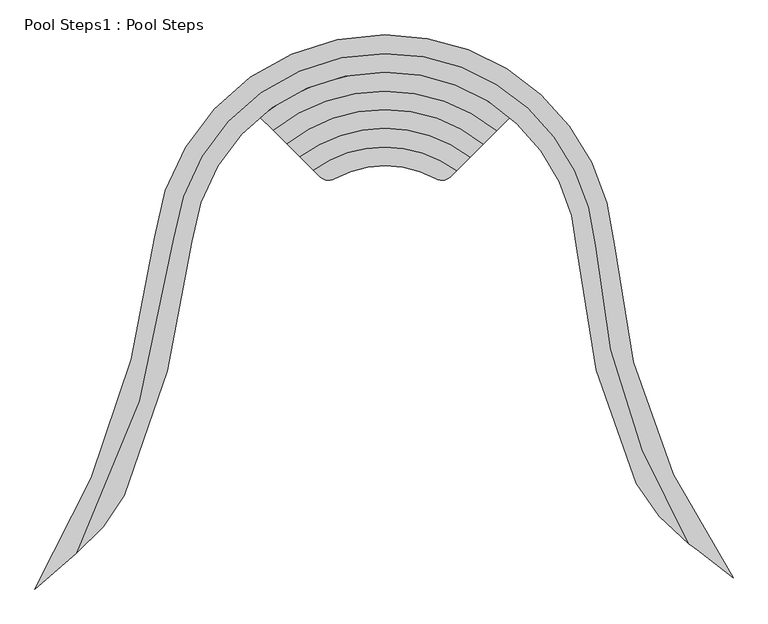
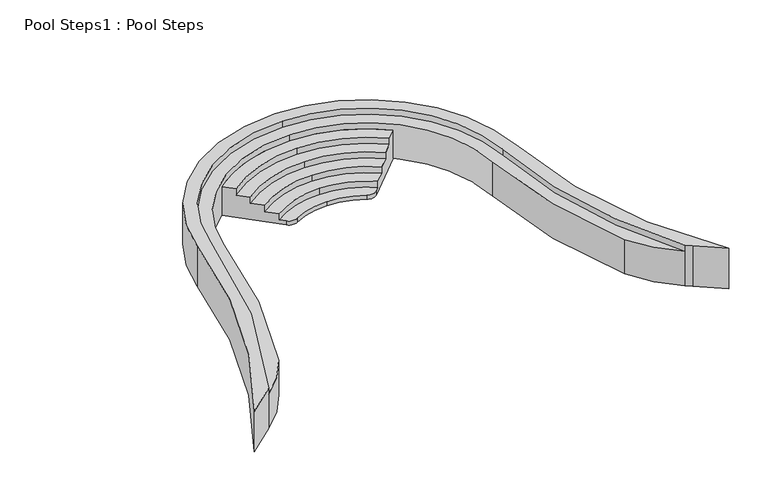
"""IFC4 building model written with IfcOpenShell, lengths in millimetres: beam geometry, Pool Steps1 : Pool Steps."""

from ifc_helpers import new_model, si_unit, frame, origin, place, context, project, spatial, polyline, circle_curve, source, transform, mapped, element, save
from ifc_brep_helpers import plane_surface, cylinder_surface, revolved_surface, advanced_brep


def pool_steps1_pool_steps_b29b813c(model_context):
    return source(origin(), model_context, "Body", "AdvancedBrep", [
        advanced_brep(
        [(206119.8819376, 154389.4442547, 6700.0), (206783.8559836, 154962.4008705, 6700.0), (208338.8191224, 160005.765392, 6700.0), (211731.780669, 162985.4151894, 6700.0), (215111.799141, 159899.903536, 6700.0), (216604.7626689, 155118.7359584, 6700.0), (216742.7131658, 155020.4106363, 6700.0), (217318.3145919, 154573.5072493, 6700.0), (215410.9841687, 159922.0960535, 6700.0), (211731.1723089, 163285.4067756, 6700.0), (208040.9820379, 160041.7389396, 6700.0), (206119.8819376, 154389.4442547, 5700.0), (208040.9820379, 160041.7389396, 5700.0), (211731.1723089, 163285.4067756, 5700.0), (215410.9841687, 159922.0960535, 5700.0), (217318.3145919, 154573.5072493, 5700.0), (216742.7131658, 155020.4106363, 5700.0), (216604.7626689, 155118.7359584, 5700.0), (215763.6715977, 156083.420118, 5700.0), (214817.4583472, 159809.2223482, 5700.0), (213741.334175, 161961.0492056, 5700.0), (212788.3865155, 161011.4516251, 5700.0), (212549.7243585, 160978.4916242, 5700.0), (211738.9712692, 161185.3403514, 5700.0), (210928.2181798, 160978.4916242, 5700.0), (210689.5560228, 161011.4516251, 5700.0), (209729.3465297, 161968.2855103, 5700.0), (208636.4169486, 159967.865621, 5700.0), (207556.8592456, 155896.9162058, 5700.0), (206785.236552, 154965.045079, 5700.0), (206783.8559836, 154962.4008705, 5700.0), (206785.236552, 154965.045079, 6550.0), (208338.8191224, 160005.765392, 6550.0), (211731.780669, 162985.4151894, 6550.0), (215111.799141, 159899.903536, 6550.0), (216604.7626689, 155118.7359584, 6550.0), (207556.8592456, 155896.9162058, 6550.0), (208636.4169486, 159967.865621, 6550.0), (211732.3914639, 162685.3893802, 6550.0), (214817.4583472, 159809.2223482, 6550.0), (215763.6715977, 156083.420118, 6550.0), (209729.3465297, 161968.2855103, 6400.0), (211732.3914639, 162685.3893802, 6400.0), (213741.334175, 161961.0492056, 6400.0), (209942.8879035, 161755.4948393, 6400.0), (211731.1723089, 162385.4041846, 6400.0), (213528.0509637, 161748.5157895, 6400.0), (209942.8879035, 161755.4948393, 6250.0), (211731.1723089, 162385.4041846, 6250.0), (213528.0509637, 161748.5157895, 6250.0), (213314.2742796, 161535.4906354, 6250.0), (213314.2742796, 161535.4906354, 6100.0), (213100.1517442, 161322.1208459, 6100.0), (213100.1517442, 161322.1208459, 5950.0), (212885.5190852, 161108.2427261, 5950.0), (212885.5190852, 161108.2427261, 5800.0), (212788.3865155, 161011.4516251, 5800.0), (210689.5560228, 161011.4516251, 5800.0), (210585.8109918, 161114.8319413, 5800.0), (210585.8109918, 161114.8319413, 5950.0), (210371.0119315, 161328.8758775, 5950.0), (210371.0119315, 161328.8758775, 6100.0), (210156.763388, 161542.3712321, 6100.0), (210156.763388, 161542.3712321, 6250.0), (211731.1723089, 162085.4029116, 6250.0), (211731.1723089, 162085.4029116, 6100.0), (211731.1723089, 161785.4012962, 6100.0), (211731.1723089, 161785.4012962, 5950.0), (210928.2181798, 160978.4916242, 5800.0), (211738.9712692, 161185.3403514, 5800.0), (212549.7243585, 160978.4916242, 5800.0), (211731.1723089, 161485.3991789, 5800.0), (211731.1723089, 161485.3991789, 5950.0)],
        [
            (0, 1, circle_curve(frame((210129.054403, 150414.5952145, 6700.0), z_axis=(0.0, 0.0, -1.0), x_axis=(1.0, 0.0, 0.0)), 5645.6079168)),
            (1, 2, circle_curve(frame((193875.4396131, 161703.7001602, 6700.0), z_axis=(0.0, 0.0, 1.0), x_axis=(1.0, 0.0, 0.0)), 14562.7033653)),
            (2, 3, circle_curve(frame((211712.0345474, 159586.2732287, 6700.0), z_axis=(0.0, 0.0, -1.0), x_axis=(1.0, 0.0, 0.0)), 3399.1993143)),
            (3, 4, circle_curve(frame((211764.9327956, 159627.6580714, 6700.0), z_axis=(0.0, 0.0, -1.0), x_axis=(1.0, 0.0, 0.0)), 3357.9207743)),
            (4, 5, circle_curve(frame((225827.5906329, 160622.3283546, 6700.0), z_axis=(0.0, 0.0, 1.0), x_axis=(1.0, 0.0, 0.0)), 10740.1156845)),
            (5, 6, circle_curve(frame((218478.0611931, 157601.040138, 6700.0), z_axis=(0.0, 0.0, 1.0), x_axis=(1.0, 0.0, 0.0)), 3109.8362338)),
            (6, 7, circle_curve(frame((214373.0908148, 151374.2583105, 6700.0), z_axis=(0.0, 0.0, -1.0), x_axis=(1.0, 0.0, 0.0)), 4348.5097298)),
            (7, 8, circle_curve(frame((225827.5906329, 160622.3283546, 6700.0), z_axis=(0.0, 0.0, -1.0), x_axis=(1.0, 0.0, 0.0)), 10440.1156845)),
            (8, 9, circle_curve(frame((211764.9620929, 159627.6724367, 6700.0), z_axis=(0.0, 0.0, 1.0), x_axis=(1.0, 0.0, 0.0)), 3657.8904089)),
            (9, 10, circle_curve(frame((211712.0040701, 159586.2893593, 6700.0), z_axis=(0.0, 0.0, 1.0), x_axis=(1.0, 0.0, 0.0)), 3699.1670793)),
            (10, 0, circle_curve(frame((193875.4396131, 161703.7001602, 6700.0), z_axis=(0.0, 0.0, -1.0), x_axis=(1.0, 0.0, 0.0)), 14262.7033653)),
            (11, 12, circle_curve(frame((193875.4396131, 161703.7001602, 5700.0), z_axis=(0.0, 0.0, 1.0), x_axis=(1.0, 0.0, 0.0)), 14262.7033653)),
            (12, 13, circle_curve(frame((211712.0040701, 159586.2893593, 5700.0), z_axis=(0.0, 0.0, -1.0), x_axis=(1.0, 0.0, 0.0)), 3699.1670793)),
            (13, 14, circle_curve(frame((211764.9620929, 159627.6724367, 5700.0), z_axis=(0.0, 0.0, -1.0), x_axis=(1.0, 0.0, 0.0)), 3657.8904089)),
            (14, 15, circle_curve(frame((225827.5906329, 160622.3283546, 5700.0), z_axis=(0.0, 0.0, 1.0), x_axis=(1.0, 0.0, 0.0)), 10440.1156845)),
            (15, 16, circle_curve(frame((214373.0908148, 151374.2583105, 5700.0), z_axis=(0.0, 0.0, 1.0), x_axis=(1.0, 0.0, 0.0)), 4348.5097298)),
            (16, 17, circle_curve(frame((218478.0611931, 157601.040138, 5700.0), z_axis=(0.0, 0.0, -1.0), x_axis=(1.0, 0.0, 0.0)), 3109.8362338)),
            (17, 18, circle_curve(frame((218478.0611931, 157601.040138, 5700.0), z_axis=(0.0, 0.0, -1.0), x_axis=(1.0, 0.0, 0.0)), 3109.8362338)),
            (18, 19, circle_curve(frame((225827.5906329, 160622.3283546, 5700.0), z_axis=(0.0, 0.0, -1.0), x_axis=(1.0, 0.0, 0.0)), 11040.1156845)),
            (19, 20, circle_curve(frame((211764.9620929, 159627.6724367, 5700.0), z_axis=(0.0, 0.0, 1.0), x_axis=(1.0, 0.0, 0.0)), 3057.8904089)),
            (20, 21),
            (21, 22, circle_curve(frame((212647.2143986, 161153.1217822, 5700.0), z_axis=(0.0, 0.0, -1.0), x_axis=(1.0, 0.0, 0.0)), 200.0)),
            (22, 23, circle_curve(frame((211754.5691897, 159554.1607633, 5700.0), z_axis=(0.0, 0.0, 1.0), x_axis=(1.0, 0.0, 0.0)), 1631.2541629)),
            (23, 24, circle_curve(frame((211723.3733487, 159554.1607633, 5700.0), z_axis=(0.0, 0.0, 1.0), x_axis=(1.0, 0.0, 0.0)), 1631.2541629)),
            (24, 25, circle_curve(frame((210830.7281397, 161153.1217822, 5700.0), z_axis=(0.0, 0.0, -1.0), x_axis=(1.0, 0.0, 0.0)), 200.0)),
            (25, 26),
            (26, 27, circle_curve(frame((211712.0040701, 159586.2893593, 5700.0), z_axis=(0.0, 0.0, 1.0), x_axis=(1.0, 0.0, 0.0)), 3099.1670793)),
            (27, 28, circle_curve(frame((193875.9135978, 161703.5241574, 5700.0), z_axis=(0.0, 0.0, -1.0), x_axis=(1.0, 0.0, 0.0)), 14862.1993568)),
            (28, 29, circle_curve(frame((204954.7502866, 157266.154503, 5700.0), z_axis=(0.0, 0.0, -1.0), x_axis=(1.0, 0.0, 0.0)), 2940.3714985)),
            (29, 30, circle_curve(frame((193875.4396131, 161703.7001602, 5700.0), z_axis=(0.0, 0.0, -1.0), x_axis=(1.0, 0.0, 0.0)), 14562.7033653)),
            (30, 11, circle_curve(frame((210129.054403, 150414.5952145, 5700.0), z_axis=(0.0, 0.0, 1.0), x_axis=(1.0, 0.0, 0.0)), 5645.6079168)),
            (0, 11),
            (30, 1),
            (29, 31),
            (31, 32, circle_curve(frame((193875.4396131, 161703.7001602, 6550.0), z_axis=(0.0, 0.0, 1.0), x_axis=(1.0, 0.0, 0.0)), 14562.7033653)),
            (32, 2),
            (32, 33, circle_curve(frame((211712.0345474, 159586.2732287, 6550.0), z_axis=(0.0, 0.0, -1.0), x_axis=(1.0, 0.0, 0.0)), 3399.1993143)),
            (33, 3),
            (33, 34, circle_curve(frame((211764.9327956, 159627.6580714, 6550.0), z_axis=(0.0, 0.0, -1.0), x_axis=(1.0, 0.0, 0.0)), 3357.9207743)),
            (34, 4),
            (34, 35, circle_curve(frame((225827.5906329, 160622.3283546, 6550.0), z_axis=(0.0, 0.0, 1.0), x_axis=(1.0, 0.0, 0.0)), 10740.1156845)),
            (35, 5),
            (35, 17),
            (16, 6),
            (15, 7),
            (14, 8),
            (13, 9),
            (12, 10),
            (36, 37, circle_curve(frame((193875.9135978, 161703.5241574, 6550.0), z_axis=(0.0, 0.0, 1.0), x_axis=(1.0, 0.0, 0.0)), 14862.1993568)),
            (37, 38, circle_curve(frame((211712.0040701, 159586.2893593, 6550.0), z_axis=(0.0, 0.0, -1.0), x_axis=(1.0, 0.0, 0.0)), 3099.1670793)),
            (38, 39, circle_curve(frame((211764.9620929, 159627.6724367, 6550.0), z_axis=(0.0, 0.0, -1.0), x_axis=(1.0, 0.0, 0.0)), 3057.8904089)),
            (39, 40, circle_curve(frame((225827.5906329, 160622.3283546, 6550.0), z_axis=(0.0, 0.0, 1.0), x_axis=(1.0, 0.0, 0.0)), 11040.1156845)),
            (40, 35, circle_curve(frame((218478.0611931, 157601.040138, 6550.0), z_axis=(0.0, 0.0, 1.0), x_axis=(1.0, 0.0, 0.0)), 3109.8362338)),
            (31, 36, circle_curve(frame((204954.7502866, 157266.154503, 6550.0), z_axis=(0.0, 0.0, 1.0), x_axis=(1.0, 0.0, 0.0)), 2940.3714985)),
            (36, 28),
            (27, 37),
            (26, 41),
            (41, 42, circle_curve(frame((211712.0040701, 159586.2893593, 6400.0), z_axis=(0.0, 0.0, -1.0), x_axis=(1.0, 0.0, 0.0)), 3099.1670793)),
            (42, 38),
            (42, 43, circle_curve(frame((211764.9620929, 159627.6724367, 6400.0), z_axis=(0.0, 0.0, -1.0), x_axis=(1.0, 0.0, 0.0)), 3057.8904089)),
            (43, 20),
            (19, 39),
            (18, 40),
            (44, 45, circle_curve(frame((211723.3733487, 159554.1607633, 6400.0), z_axis=(0.0, 0.0, -1.0), x_axis=(1.0, 0.0, 0.0)), 2831.2541629)),
            (45, 46, circle_curve(frame((211738.9712692, 159554.1607633, 6400.0), z_axis=(0.0, 0.0, -1.0), x_axis=(1.0, 0.0, 0.0)), 2831.2541629)),
            (46, 43),
            (41, 44),
            (44, 47),
            (47, 48, circle_curve(frame((211723.3733487, 159554.1607633, 6250.0), z_axis=(0.0, 0.0, -1.0), x_axis=(1.0, 0.0, 0.0)), 2831.2541629)),
            (48, 45),
            (48, 49, circle_curve(frame((211738.9712692, 159554.1607633, 6250.0), z_axis=(0.0, 0.0, -1.0), x_axis=(1.0, 0.0, 0.0)), 2831.2541629)),
            (49, 46),
            (49, 50),
            (50, 51),
            (51, 52),
            (52, 53),
            (53, 54),
            (54, 55),
            (55, 56),
            (56, 21),
            (25, 57),
            (57, 58),
            (58, 59),
            (59, 60),
            (60, 61),
            (61, 62),
            (62, 63),
            (63, 47),
            (63, 64, circle_curve(frame((211723.3733487, 159554.1607633, 6250.0), z_axis=(0.0, 0.0, -1.0), x_axis=(1.0, 0.0, 0.0)), 2531.2541629)),
            (64, 50, circle_curve(frame((211738.9712692, 159554.1607633, 6250.0), z_axis=(0.0, 0.0, -1.0), x_axis=(1.0, 0.0, 0.0)), 2531.2541629)),
            (62, 65, circle_curve(frame((211723.3733487, 159554.1607633, 6100.0), z_axis=(0.0, 0.0, -1.0), x_axis=(1.0, 0.0, 0.0)), 2531.2541629)),
            (65, 64),
            (65, 51, circle_curve(frame((211738.9712692, 159554.1607633, 6100.0), z_axis=(0.0, 0.0, -1.0), x_axis=(1.0, 0.0, 0.0)), 2531.2541629)),
            (61, 66, circle_curve(frame((211723.3733487, 159554.1607633, 6100.0), z_axis=(0.0, 0.0, -1.0), x_axis=(1.0, 0.0, 0.0)), 2231.2541629)),
            (66, 52, circle_curve(frame((211738.9712692, 159554.1607633, 6100.0), z_axis=(0.0, 0.0, -1.0), x_axis=(1.0, 0.0, 0.0)), 2231.2541629)),
            (60, 67, circle_curve(frame((211723.3733487, 159554.1607633, 5950.0), z_axis=(0.0, 0.0, -1.0), x_axis=(1.0, 0.0, 0.0)), 2231.2541629)),
            (67, 66),
            (67, 53, circle_curve(frame((211738.9712692, 159554.1607633, 5950.0), z_axis=(0.0, 0.0, -1.0), x_axis=(1.0, 0.0, 0.0)), 2231.2541629)),
            (57, 68, circle_curve(frame((210830.7281397, 161153.1217822, 5800.0), z_axis=(0.0, 0.0, 1.0), x_axis=(1.0, 0.0, 0.0)), 200.0)),
            (68, 69, circle_curve(frame((211723.3733487, 159554.1607633, 5800.0), z_axis=(0.0, 0.0, -1.0), x_axis=(1.0, 0.0, 0.0)), 1631.2541629)),
            (69, 70, circle_curve(frame((211754.5691897, 159554.1607633, 5800.0), z_axis=(0.0, 0.0, -1.0), x_axis=(1.0, 0.0, 0.0)), 1631.2541629)),
            (70, 56, circle_curve(frame((212647.2143986, 161153.1217822, 5800.0), z_axis=(0.0, 0.0, 1.0), x_axis=(1.0, 0.0, 0.0)), 200.0)),
            (55, 71, circle_curve(frame((211738.9712692, 159554.1607633, 5800.0), z_axis=(0.0, 0.0, 1.0), x_axis=(1.0, 0.0, 0.0)), 1931.2541629)),
            (71, 58, circle_curve(frame((211723.3733487, 159554.1607633, 5800.0), z_axis=(0.0, 0.0, 1.0), x_axis=(1.0, 0.0, 0.0)), 1931.2541629)),
            (24, 68),
            (23, 69),
            (22, 70),
            (59, 72, circle_curve(frame((211723.3733487, 159554.1607633, 5950.0), z_axis=(0.0, 0.0, -1.0), x_axis=(1.0, 0.0, 0.0)), 1931.2541629)),
            (72, 54, circle_curve(frame((211738.9712692, 159554.1607633, 5950.0), z_axis=(0.0, 0.0, -1.0), x_axis=(1.0, 0.0, 0.0)), 1931.2541629)),
            (71, 72),
        ],
        [
            plane_surface(frame((215774.6623198, 150414.5952145, 6700.0), z_axis=(0.0, 0.0, 1.0), x_axis=(0.0, -1.0, 0.0))),
            plane_surface(frame((215774.6623198, 150414.5952145, 5700.0), z_axis=(0.0, 0.0, -1.0), x_axis=(0.0, 1.0, 0.0))),
            revolved_surface(polyline([(215774.6623198, 150414.5952145, 5700.0), (215774.6623198, 150414.5952145, 6700.0)]), (210129.054403, 150414.5952145, 5700.0), (0.0, 0.0, -1.0)),
            cylinder_surface(frame((193875.4396131, 161703.7001602, 5700.0), z_axis=(0.0, 0.0, 1.0), x_axis=(1.0, 0.0, 0.0)), 14562.7033653),
            revolved_surface(polyline([(215111.2338617, 159586.2732287, 6550.0), (215111.2338617, 159586.2732287, 6700.0)]), (211712.0345474, 159586.2732287, 5700.0), (0.0, 0.0, -1.0)),
            revolved_surface(polyline([(215122.8535699, 159627.6580714, 6550.0), (215122.8535699, 159627.6580714, 6700.0)]), (211764.9327956, 159627.6580714, 5700.0), (0.0, 0.0, -1.0)),
            cylinder_surface(frame((225827.5906329, 160622.3283546, 5700.0), z_axis=(0.0, 0.0, 1.0), x_axis=(1.0, 0.0, 0.0)), 10740.1156845),
            cylinder_surface(frame((218478.0611931, 157601.040138, 5700.0), z_axis=(0.0, 0.0, 1.0), x_axis=(1.0, 0.0, 0.0)), 3109.8362338),
            revolved_surface(polyline([(218721.6005446, 151374.2583105, 5700.0), (218721.6005446, 151374.2583105, 6700.0)]), (214373.0908148, 151374.2583105, 5700.0), (0.0, 0.0, -1.0)),
            revolved_surface(polyline([(236267.7063174, 160622.3283546, 5700.0), (236267.7063174, 160622.3283546, 6700.0)]), (225827.5906329, 160622.3283546, 5700.0), (0.0, 0.0, -1.0)),
            cylinder_surface(frame((211764.9620929, 159627.6724367, 5700.0), z_axis=(0.0, 0.0, 1.0), x_axis=(1.0, 0.0, 0.0)), 3657.8904089),
            cylinder_surface(frame((211712.0040701, 159586.2893593, 5700.0), z_axis=(0.0, 0.0, 1.0), x_axis=(1.0, 0.0, 0.0)), 3699.1670793),
            revolved_surface(polyline([(208138.1429784, 161703.7001602, 5700.0), (208138.1429784, 161703.7001602, 6700.0)]), (193875.4396131, 161703.7001602, 5700.0), (0.0, 0.0, -1.0)),
            plane_surface(frame((208738.1129546, 161703.5241574, 6550.0), z_axis=(0.0, 0.0, 1.0), x_axis=(0.0, 1.0, 0.0))),
            cylinder_surface(frame((193875.9135978, 161703.5241574, 5700.0), z_axis=(0.0, 0.0, 1.0), x_axis=(1.0, 0.0, 0.0)), 14862.1993568),
            revolved_surface(polyline([(214811.1711494, 159586.2893593, 5700.0), (214811.1711494, 159586.2893593, 6550.0)]), (211712.0040701, 159586.2893593, 5700.0), (0.0, 0.0, -1.0)),
            revolved_surface(polyline([(214822.85250180002, 159627.6724367, 5700.0), (214822.85250180002, 159627.6724367, 6550.0)]), (211764.9620929, 159627.6724367, 5700.0), (0.0, 0.0, -1.0)),
            cylinder_surface(frame((225827.5906329, 160622.3283546, 5700.0), z_axis=(0.0, 0.0, 1.0), x_axis=(1.0, 0.0, 0.0)), 11040.1156845),
            cylinder_surface(frame((204954.7502866, 157266.154503, 5700.0), z_axis=(0.0, 0.0, 1.0), x_axis=(1.0, 0.0, 0.0)), 2940.3714985),
            plane_surface(frame((214554.6275116, 159554.1607633, 6400.0), z_axis=(0.0, 0.0, 1.0), x_axis=(0.0, -1.0, 0.0))),
            revolved_surface(polyline([(214554.6275116, 159554.1607633, 6250.0), (214554.6275116, 159554.1607633, 6400.0)]), (211723.3733487, 159554.1607633, 6250.0), (0.0, 0.0, -1.0)),
            revolved_surface(polyline([(214570.2254321, 159554.1607633, 6250.0), (214570.2254321, 159554.1607633, 6400.0)]), (211738.9712692, 159554.1607633, 6250.0), (0.0, 0.0, -1.0)),
            plane_surface(frame((213528.0509637, 161748.5157895, 6400.0), z_axis=(0.705860584536068, -0.7083507854152491, 0.0), x_axis=(0.0, 0.0, -1.0))),
            plane_surface(frame((209729.3465297, 161968.2855103, 6400.0), z_axis=(-0.7058605845360311, -0.708350785415286, 0.0), x_axis=(0.0, 0.0, -1.0))),
            plane_surface(frame((214254.6275116, 159554.1607633, 6250.0), z_axis=(0.0, 0.0, 1.0), x_axis=(0.0, -1.0, 0.0))),
            revolved_surface(polyline([(214254.6275116, 159554.1607633, 6100.0), (214254.6275116, 159554.1607633, 6250.0)]), (211723.3733487, 159554.1607633, 6100.0), (0.0, 0.0, -1.0)),
            revolved_surface(polyline([(214270.2254321, 159554.1607633, 6100.0), (214270.2254321, 159554.1607633, 6250.0)]), (211738.9712692, 159554.1607633, 6100.0), (0.0, 0.0, -1.0)),
            plane_surface(frame((213954.6275116, 159554.1607633, 6100.0), z_axis=(0.0, 0.0, 1.0), x_axis=(0.0, -1.0, 0.0))),
            revolved_surface(polyline([(213954.6275116, 159554.1607633, 5950.0), (213954.6275116, 159554.1607633, 6100.0)]), (211723.3733487, 159554.1607633, 5950.0), (0.0, 0.0, -1.0)),
            revolved_surface(polyline([(213970.2254321, 159554.1607633, 5950.0), (213970.2254321, 159554.1607633, 6100.0)]), (211738.9712692, 159554.1607633, 5950.0), (0.0, 0.0, -1.0)),
            plane_surface(frame((211030.7281397, 161153.1217822, 5800.0), z_axis=(0.0, 0.0, 1.0), x_axis=(0.0, 1.0, 0.0))),
            cylinder_surface(frame((210830.7281397, 161153.1217822, 5700.0), z_axis=(0.0, 0.0, 1.0), x_axis=(1.0, 0.0, 0.0)), 200.0),
            revolved_surface(polyline([(213354.6275116, 159554.1607633, 5700.0), (213354.6275116, 159554.1607633, 5800.0)]), (211723.3733487, 159554.1607633, 5700.0), (0.0, 0.0, -1.0)),
            revolved_surface(polyline([(213385.8233526, 159554.1607633, 5700.0), (213385.8233526, 159554.1607633, 5800.0)]), (211754.5691897, 159554.1607633, 5700.0), (0.0, 0.0, -1.0)),
            cylinder_surface(frame((212647.2143986, 161153.1217822, 5700.0), z_axis=(0.0, 0.0, 1.0), x_axis=(1.0, 0.0, 0.0)), 200.0),
            plane_surface(frame((213654.6275116, 159554.1607633, 5950.0), z_axis=(0.0, 0.0, 1.0), x_axis=(0.0, -1.0, 0.0))),
            revolved_surface(polyline([(213654.6275116, 159554.1607633, 5800.0), (213654.6275116, 159554.1607633, 5950.0)]), (211723.3733487, 159554.1607633, 5800.0), (0.0, 0.0, -1.0)),
            revolved_surface(polyline([(213670.2254321, 159554.1607633, 5800.0), (213670.2254321, 159554.1607633, 5950.0)]), (211738.9712692, 159554.1607633, 5800.0), (0.0, 0.0, -1.0)),
        ],
        [
            (0, [[1, 2, 3, 4, 5, 6, 7, 8, 9, 10, 11]]),
            (1, [[12, 13, 14, 15, 16, 17, 18, 19, 20, 21, 22, 23, 24, 25, 26, 27, 28, 29, 30, 31]]),
            (2, [[-1, 32, -31, 33]]),
            (3, [[-2, -33, -30, 34, 35, 36]]),
            (4, [[-3, -36, 37, 38]]),
            (5, [[-4, -38, 39, 40]]),
            (6, [[-5, -40, 41, 42]]),
            (7, [[-6, -42, 43, -17, 44]]),
            (8, [[-7, -44, -16, 45]]),
            (9, [[-8, -45, -15, 46]]),
            (10, [[-9, -46, -14, 47]]),
            (11, [[-10, -47, -13, 48]]),
            (12, [[-11, -48, -12, -32]]),
            (13, [[49, 50, 51, 52, 53, -41, -39, -37, -35, 54]]),
            (14, [[-49, 55, -28, 56]]),
            (15, [[-50, -56, -27, 57, 58, 59]]),
            (16, [[-51, -59, 60, 61, -20, 62]]),
            (17, [[-52, -62, -19, 63]]),
            (7, [[-53, -63, -18, -43]]),
            (18, [[-54, -34, -29, -55]]),
            (19, [[64, 65, 66, -60, -58, 67]]),
            (20, [[-64, 68, 69, 70]]),
            (21, [[-65, -70, 71, 72]]),
            (22, [[-66, -72, 73, 74, 75, 76, 77, 78, 79, 80, -21, -61]]),
            (23, [[-67, -57, -26, 81, 82, 83, 84, 85, 86, 87, 88, -68]]),
            (24, [[89, 90, -73, -71, -69, -88]]),
            (25, [[-89, -87, 91, 92]]),
            (26, [[-90, -92, 93, -74]]),
            (27, [[94, 95, -75, -93, -91, -86]]),
            (28, [[-94, -85, 96, 97]]),
            (29, [[-95, -97, 98, -76]]),
            (30, [[99, 100, 101, 102, -79, 103, 104, -82]]),
            (31, [[-99, -81, -25, 105]]),
            (32, [[-100, -105, -24, 106]]),
            (33, [[-101, -106, -23, 107]]),
            (34, [[-102, -107, -22, -80]]),
            (35, [[108, 109, -77, -98, -96, -84]]),
            (36, [[-108, -83, -104, 110]]),
            (37, [[-109, -110, -103, -78]]),
        ],
    ),
    ])


if __name__ == "__main__":
    model = new_model("IFC4")
    model_context = context("Model", 3, world=origin())
    ifc_project = project(units=[si_unit("LENGTHUNIT", "METRE", prefix="MILLI")], contexts=[model_context])
    site = spatial("IfcSite", under=ifc_project)
    building = spatial("IfcBuilding", under=site)
    placement = place(None, origin())
    pool_steps1_pool_steps_shape = pool_steps1_pool_steps_b29b813c(model_context)
    element("IfcBeam", 1, ObjectType="Pool Steps1 : Pool Steps", at=placement, inside=building, context=model_context, shape_type="MappedRepresentation", body=[
        mapped(pool_steps1_pool_steps_shape, transform((0.0, 0.0, 0.0), x_axis=(1.0, 0.0, 0.0), y_axis=(0.0, 1.0, 0.0), z_axis=(0.0, 0.0, 1.0))),
    ])
    save(model, "model.ifc")
